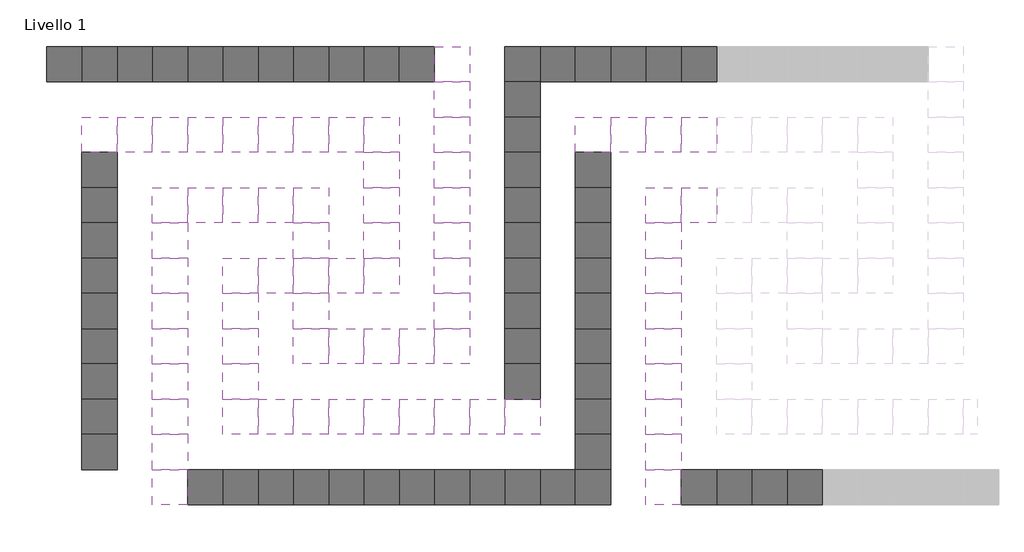
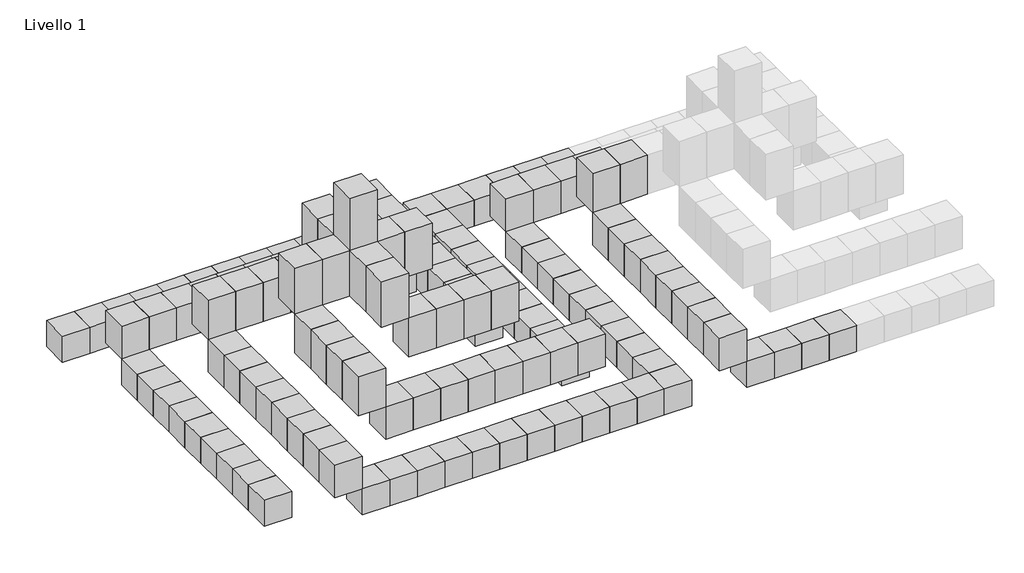
# One storey, part 1 of 3: 133 proxies.
"""IFC4 building model written with IfcOpenShell, lengths in millimetres."""

import ifcopenshell
import ifcopenshell.guid

model = None  # the IFC model being written
_history = None  # IfcOwnerHistory: only IFC2X3 demands one
_inside = {}  # id of a spatial element -> (the spatial element, [elements in it])
_under = {}  # id of a project, library or spatial element -> (it, [spatial elements below it])
_declared = {}  # id of a project -> (the project, [libraries it declares])
_typed = {}  # id of a type object -> (the type object, [elements of that type])
_made_of = {}  # id of a material, layer set ... -> (it, [elements and type objects made of it])


def new_model(schema):
    """Start an empty IFC model of exactly this schema.

    Asked for "IFC4X3", IfcOpenShell would pick the latest addendum, in which some entities
    have other attributes; the version numbers below select the first issue.
    IFC2X3 requires an IfcOwnerHistory on every rooted entity: one is made here for all.
    """
    global model, _history
    if schema == "IFC4X3":
        model = ifcopenshell.file(schema_version=(4, 3, 0, 0))
    else:
        model = ifcopenshell.file(schema=schema)
    _inside.clear()
    _under.clear()
    _declared.clear()
    _typed.clear()
    _made_of.clear()
    _history = None
    if model.schema == "IFC2X3":
        org = make("IfcOrganization", Name="unknown")
        user = make(
            "IfcPersonAndOrganization",
            ThePerson=make("IfcPerson", FamilyName="unknown"),
            TheOrganization=org,
        )
        app = make(
            "IfcApplication",
            ApplicationDeveloper=org,
            Version="unknown",
            ApplicationFullName="unknown",
            ApplicationIdentifier="unknown",
        )
        _history = make(
            "IfcOwnerHistory",
            OwningUser=user,
            OwningApplication=app,
            ChangeAction="ADDED",
            CreationDate=0,
        )
    return model


def make(cls, **values):
    """One entity of the class cls with the attributes given. An attribute that is None is left unset."""
    return model.create_entity(
        cls, **{name: value for name, value in values.items() if value is not None}
    )


def rooted(cls, **values):
    """An entity with a GlobalId (a new one), such as an element, a storey or a relation."""
    return make(cls, GlobalId=ifcopenshell.guid.new(), OwnerHistory=_history, **values)


def si_unit(unit_type, name, prefix=None):
    """IfcSIUnit, for example si_unit("LENGTHUNIT", "METRE", prefix="MILLI")."""
    return make("IfcSIUnit", UnitType=unit_type, Prefix=prefix, Name=name)


def assignment(units):
    """IfcUnitAssignment: the units of a project."""
    return None if units is None else make("IfcUnitAssignment", Units=units)


def point(xyz):
    """IfcCartesianPoint."""
    return None if xyz is None else make("IfcCartesianPoint", Coordinates=xyz)


def direction(xyz):
    """IfcDirection."""
    return None if xyz is None else make("IfcDirection", DirectionRatios=xyz)


def frame(location, z_axis=None, x_axis=None):
    """IfcAxis2Placement3D, a coordinate frame: its origin and axes. An axis left out is left unset."""
    return make(
        "IfcAxis2Placement3D",
        Location=point(location),
        Axis=direction(z_axis),
        RefDirection=direction(x_axis),
    )


def origin():
    """The frame at (0, 0, 0) with its axes left unset."""
    return frame((0.0, 0.0, 0.0))


def place(relative_to, where):
    """IfcLocalPlacement: puts the frame where relative to a parent placement (None: the world)."""
    return make(
        "IfcLocalPlacement", PlacementRelTo=relative_to, RelativePlacement=where
    )


def context(
    kind, dimensions, precision=None, world=None, true_north=None, identifier=None
):
    """IfcGeometricRepresentationContext, for example the 3D "Model" context."""
    return make(
        "IfcGeometricRepresentationContext",
        ContextIdentifier=identifier,
        ContextType=kind,
        CoordinateSpaceDimension=dimensions,
        Precision=precision,
        WorldCoordinateSystem=world,
        TrueNorth=true_north,
    )


def project(units=None, contexts=None):
    """IfcProject with its units and contexts."""
    return rooted(
        "IfcProject",
        Name="project",
        RepresentationContexts=contexts,
        UnitsInContext=assignment(units),
    )


def spatial(cls, under=None, at=None, **own):
    """A site, building, storey or space (cls), placed at a placement, below another one or the project."""
    s = rooted(cls, ObjectPlacement=at, **own)
    if under is not None:
        _under.setdefault(under.id(), (under, []))[1].append(s)
    return s


def polyline(points):
    """IfcPolyline through the points."""
    return make("IfcPolyline", Points=[point(p) for p in points])


def outline(outer, holes=None, kind="AREA"):
    """IfcArbitraryClosedProfileDef: a profile drawn as a closed curve; with holes, ...WithVoids."""
    if holes is None:
        return make("IfcArbitraryClosedProfileDef", ProfileType=kind, OuterCurve=outer)
    return make(
        "IfcArbitraryProfileDefWithVoids",
        ProfileType=kind,
        OuterCurve=outer,
        InnerCurves=holes,
    )


def extrude(swept, where, along, depth):
    """IfcExtrudedAreaSolid: the profile swept, set in the frame where, extruded along a direction by depth."""
    return make(
        "IfcExtrudedAreaSolid",
        SweptArea=swept,
        Position=where,
        ExtrudedDirection=direction(along),
        Depth=depth,
    )


def shape(context_of_items, identifier, shape_type, items):
    """IfcShapeRepresentation: the items that make up one representation, for example the "Body"."""
    return make(
        "IfcShapeRepresentation",
        ContextOfItems=context_of_items,
        RepresentationIdentifier=identifier,
        RepresentationType=shape_type,
        Items=items,
    )


def source(mapping_origin, context_of_items, identifier, shape_type, items):
    """IfcRepresentationMap: a shape defined once, which mapped items show again and again."""
    return make(
        "IfcRepresentationMap",
        MappingOrigin=mapping_origin,
        MappedRepresentation=shape(context_of_items, identifier, shape_type, items),
    )


def transform(
    local_origin,
    x_axis=None,
    y_axis=None,
    z_axis=None,
    scale=None,
    scale2=None,
    scale3=None,
    uniform=True,
):
    """IfcCartesianTransformationOperator3D, or its non-uniform kind. x_axis, y_axis, z_axis: its Axis1, 2, 3."""
    if uniform:
        return make(
            "IfcCartesianTransformationOperator3D",
            Axis1=direction(x_axis),
            Axis2=direction(y_axis),
            LocalOrigin=point(local_origin),
            Scale=scale,
            Axis3=direction(z_axis),
        )
    return make(
        "IfcCartesianTransformationOperator3DnonUniform",
        Axis1=direction(x_axis),
        Axis2=direction(y_axis),
        LocalOrigin=point(local_origin),
        Scale=scale,
        Axis3=direction(z_axis),
        Scale2=scale2,
        Scale3=scale3,
    )


def mapped(mapping_source, mapping_target):
    """IfcMappedItem: shows the shape of a source again, moved by a transform."""
    return make(
        "IfcMappedItem", MappingSource=mapping_source, MappingTarget=mapping_target
    )


def made_of(thing, what):
    """Note that an element or type object is made of a material, layer set ...; save() writes the relation."""
    if what is not None:
        _made_of.setdefault(what.id(), (what, []))[1].append(thing)
    return thing


def element(
    cls,
    number,
    at=None,
    inside=None,
    cuts=None,
    type_object=None,
    material=None,
    context=None,
    identifier="Body",
    shape_type=None,
    held_by="IfcProductDefinitionShape",
    body=None,
    shapes=None,
    **own,
):
    """One element of the class cls, such as IfcWall. Its Tag is "e" and its number.

    at: its placement. inside: the storey or other place that contains it. cuts: it is an
    opening in that element (IfcRelVoidsElement). A single representation is given by context,
    identifier, shape_type and body (its items); several are given by shapes. held_by: the class
    of the entity that holds the representations. save() writes the other relations.
    """
    e = rooted(cls, Tag="e%d" % number, ObjectPlacement=at, **own)
    if body is not None:
        shapes = [shape(context, identifier, shape_type, body)]
    if shapes is not None:
        e.Representation = make(held_by, Representations=shapes)
    if inside is not None:
        _inside.setdefault(inside.id(), (inside, []))[1].append(e)
    if cuts is not None:
        rooted(
            "IfcRelVoidsElement", RelatingBuildingElement=cuts, RelatedOpeningElement=e
        )
    if type_object is not None:
        _typed.setdefault(type_object.id(), (type_object, []))[1].append(e)
    return made_of(e, material)


def aggregate(whole, parts):
    """IfcRelAggregates: a whole, such as a stair, and the parts it consists of."""
    return rooted("IfcRelAggregates", RelatingObject=whole, RelatedObjects=parts)


def save(model, path):
    """Write the relations noted so far, then the file.

    IfcRelAggregates (storeys below a building ...), IfcRelContainedInSpatialStructure (elements
    in a storey), IfcRelDefinesByType, IfcRelAssociatesMaterial and IfcRelDeclares: one each for
    every whole, place, type object, material and project.
    """
    for whole, parts in _under.values():
        aggregate(whole, parts)
    for where, things in _inside.values():
        rooted(
            "IfcRelContainedInSpatialStructure",
            RelatedElements=things,
            RelatingStructure=where,
        )
    for kind, things in _typed.values():
        rooted("IfcRelDefinesByType", RelatedObjects=things, RelatingType=kind)
    for what, things in _made_of.values():
        rooted("IfcRelAssociatesMaterial", RelatedObjects=things, RelatingMaterial=what)
    for by, libraries in _declared.values():
        rooted("IfcRelDeclares", RelatingContext=by, RelatedDefinitions=libraries)
    model.write(path)


def generic_models_f45b8968(model_context):
    return source(origin(), model_context, "Body", "SweptSolid", [
        extrude(outline(polyline([(800.0, 800.0), (800.0, 0.0), (0.0, 0.0), (0.0, 800.0), (800.0, 800.0)])), frame((0.0, 0.0, 800.0), z_axis=(0.0, 0.0, 1.0), x_axis=(1.0, 0.0, 0.0)), (0.0, 0.0, 1.0), 800.0),
    ])


def generic_models_1216665a(model_context):
    return source(origin(), model_context, "Body", "SweptSolid", [
        extrude(outline(polyline([(800.0, 800.0), (800.0, 0.0), (0.0, 0.0), (0.0, 800.0), (800.0, 800.0)])), frame((0.0, 0.0, 1600.0), z_axis=(0.0, 0.0, 1.0), x_axis=(1.0, 0.0, 0.0)), (0.0, 0.0, 1.0), 1000.0),
    ])


def generic_models_eef6b472(model_context):
    return source(origin(), model_context, "Body", "SweptSolid", [
        extrude(outline(polyline([(800.0, 800.0), (800.0, 0.0), (0.0, 0.0), (0.0, 800.0), (800.0, 800.0)])), frame((0.0, 0.0, 2600.0), z_axis=(0.0, 0.0, 1.0), x_axis=(1.0, 0.0, 0.0)), (0.0, 0.0, 1.0), 1200.0),
    ])


def generic_models_c8eee31e(model_context):
    return source(origin(), model_context, "Body", "SweptSolid", [
        extrude(outline(polyline([(800.0, 800.0), (800.0, 0.0), (0.0, 0.0), (0.0, 800.0), (800.0, 800.0)])), frame((0.0, 0.0, 3800.0), z_axis=(0.0, 0.0, 1.0), x_axis=(1.0, 0.0, 0.0)), (0.0, 0.0, 1.0), 1400.0),
    ])


def generic_models_d8d00534(model_context):
    return source(origin(), model_context, "Body", "SweptSolid", [
        extrude(outline(polyline([(800.0, 800.0), (800.0, 0.0), (0.0, 0.0), (0.0, 800.0), (800.0, 800.0)])), frame((0.0, 0.0, 5200.0), z_axis=(0.0, 0.0, 1.0), x_axis=(1.0, 0.0, 0.0)), (0.0, 0.0, 1.0), 1600.0),
    ])


model = new_model("IFC4")

# Units and contexts
model_context = context("Model", 3, world=origin())
ifc_project = project(units=[si_unit("LENGTHUNIT", "METRE", prefix="MILLI")], contexts=[model_context])

# Site, building, storey
site = spatial("IfcSite", under=ifc_project)
building = spatial("IfcBuilding", under=site)
storey = spatial("IfcBuildingStorey", under=building, Name="Livello 1", Elevation=0.0)

# Proxies
placement = place(None, origin())
generic_models_shape = generic_models_f45b8968(model_context)
element("IfcBuildingElementProxy", 1, Name="Generic Models", at=placement, inside=storey, context=model_context, shape_type="MappedRepresentation", body=[
    mapped(generic_models_shape, transform((17624.6346232, 4766.3432064, 0.0), x_axis=(1.0, 0.0, 0.0), y_axis=(0.0, 1.0, 0.0), z_axis=(0.0, 0.0, 1.0))),
])
element("IfcBuildingElementProxy", 2, Name="Generic Models", at=placement, inside=storey, context=model_context, shape_type="MappedRepresentation", body=[
    mapped(generic_models_shape, transform((17624.6346232, 5566.3432064, 0.0), x_axis=(1.0, 0.0, 0.0), y_axis=(0.0, 1.0, 0.0), z_axis=(0.0, 0.0, 1.0))),
])
element("IfcBuildingElementProxy", 3, Name="Generic Models", at=placement, inside=storey, context=model_context, shape_type="MappedRepresentation", body=[
    mapped(generic_models_shape, transform((17624.6346232, 6366.3432064, 0.0), x_axis=(1.0, 0.0, 0.0), y_axis=(0.0, 1.0, 0.0), z_axis=(0.0, 0.0, 1.0))),
])
element("IfcBuildingElementProxy", 4, Name="Generic Models", at=placement, inside=storey, context=model_context, shape_type="MappedRepresentation", body=[
    mapped(generic_models_shape, transform((17624.6346232, 8766.3432064, 0.0), x_axis=(1.0, 0.0, 0.0), y_axis=(0.0, 1.0, 0.0), z_axis=(0.0, 0.0, 1.0))),
])
element("IfcBuildingElementProxy", 5, Name="Generic Models", at=placement, inside=storey, context=model_context, shape_type="MappedRepresentation", body=[
    mapped(generic_models_shape, transform((17624.6346232, 9566.3432064, 0.0), x_axis=(1.0, 0.0, 0.0), y_axis=(0.0, 1.0, 0.0), z_axis=(0.0, 0.0, 1.0))),
])
element("IfcBuildingElementProxy", 6, Name="Generic Models", at=placement, inside=storey, context=model_context, shape_type="MappedRepresentation", body=[
    mapped(generic_models_shape, transform((17624.6346232, 7966.3432064, 0.0), x_axis=(1.0, 0.0, 0.0), y_axis=(0.0, 1.0, 0.0), z_axis=(0.0, 0.0, 1.0))),
])
element("IfcBuildingElementProxy", 7, Name="Generic Models", at=placement, inside=storey, context=model_context, shape_type="MappedRepresentation", body=[
    mapped(generic_models_shape, transform((17624.6346232, 7166.3432064, 0.0), x_axis=(1.0, 0.0, 0.0), y_axis=(0.0, 1.0, 0.0), z_axis=(0.0, 0.0, 1.0))),
])
element("IfcBuildingElementProxy", 8, Name="Generic Models", at=placement, inside=storey, context=model_context, shape_type="MappedRepresentation", body=[
    mapped(generic_models_shape, transform((17624.6346232, 10366.3432064, 0.0), x_axis=(1.0, 0.0, 0.0), y_axis=(0.0, 1.0, 0.0), z_axis=(0.0, 0.0, 1.0))),
])
element("IfcBuildingElementProxy", 9, Name="Generic Models", at=placement, inside=storey, context=model_context, shape_type="MappedRepresentation", body=[
    mapped(generic_models_shape, transform((17624.6346232, 11166.3432064, 0.0), x_axis=(1.0, 0.0, 0.0), y_axis=(0.0, 1.0, 0.0), z_axis=(0.0, 0.0, 1.0))),
])
element("IfcBuildingElementProxy", 10, Name="Generic Models", at=placement, inside=storey, context=model_context, shape_type="MappedRepresentation", body=[
    mapped(generic_models_shape, transform((27224.6346232, 6366.3432064, 0.0), x_axis=(1.0, 0.0, 0.0), y_axis=(0.0, 1.0, 0.0), z_axis=(0.0, 0.0, 1.0))),
])
element("IfcBuildingElementProxy", 11, Name="Generic Models", at=placement, inside=storey, context=model_context, shape_type="MappedRepresentation", body=[
    mapped(generic_models_shape, transform((27224.6346232, 7166.3432064, 0.0), x_axis=(1.0, 0.0, 0.0), y_axis=(0.0, 1.0, 0.0), z_axis=(0.0, 0.0, 1.0))),
])
element("IfcBuildingElementProxy", 12, Name="Generic Models", at=placement, inside=storey, context=model_context, shape_type="MappedRepresentation", body=[
    mapped(generic_models_shape, transform((27224.6346232, 9566.3432064, 0.0), x_axis=(1.0, 0.0, 0.0), y_axis=(0.0, 1.0, 0.0), z_axis=(0.0, 0.0, 1.0))),
])
element("IfcBuildingElementProxy", 13, Name="Generic Models", at=placement, inside=storey, context=model_context, shape_type="MappedRepresentation", body=[
    mapped(generic_models_shape, transform((27224.6346232, 10366.3432064, 0.0), x_axis=(1.0, 0.0, 0.0), y_axis=(0.0, 1.0, 0.0), z_axis=(0.0, 0.0, 1.0))),
])
element("IfcBuildingElementProxy", 14, Name="Generic Models", at=placement, inside=storey, context=model_context, shape_type="MappedRepresentation", body=[
    mapped(generic_models_shape, transform((27224.6346232, 8766.3432064, 0.0), x_axis=(1.0, 0.0, 0.0), y_axis=(0.0, 1.0, 0.0), z_axis=(0.0, 0.0, 1.0))),
])
element("IfcBuildingElementProxy", 15, Name="Generic Models", at=placement, inside=storey, context=model_context, shape_type="MappedRepresentation", body=[
    mapped(generic_models_shape, transform((27224.6346232, 7966.3432064, 0.0), x_axis=(1.0, 0.0, 0.0), y_axis=(0.0, 1.0, 0.0), z_axis=(0.0, 0.0, 1.0))),
])
element("IfcBuildingElementProxy", 16, Name="Generic Models", at=placement, inside=storey, context=model_context, shape_type="MappedRepresentation", body=[
    mapped(generic_models_shape, transform((20024.6346232, 3966.3432064, 0.0), x_axis=(1.0, 0.0, 0.0), y_axis=(0.0, 1.0, 0.0), z_axis=(0.0, 0.0, 1.0))),
])
element("IfcBuildingElementProxy", 17, Name="Generic Models", at=placement, inside=storey, context=model_context, shape_type="MappedRepresentation", body=[
    mapped(generic_models_shape, transform((24024.6346232, 3966.3432064, 0.0), x_axis=(1.0, 0.0, 0.0), y_axis=(0.0, 1.0, 0.0), z_axis=(0.0, 0.0, 1.0))),
])
element("IfcBuildingElementProxy", 18, Name="Generic Models", at=placement, inside=storey, context=model_context, shape_type="MappedRepresentation", body=[
    mapped(generic_models_shape, transform((23224.6346232, 3966.3432064, 0.0), x_axis=(1.0, 0.0, 0.0), y_axis=(0.0, 1.0, 0.0), z_axis=(0.0, 0.0, 1.0))),
])
element("IfcBuildingElementProxy", 19, Name="Generic Models", at=placement, inside=storey, context=model_context, shape_type="MappedRepresentation", body=[
    mapped(generic_models_shape, transform((20824.6346232, 3966.3432064, 0.0), x_axis=(1.0, 0.0, 0.0), y_axis=(0.0, 1.0, 0.0), z_axis=(0.0, 0.0, 1.0))),
])
element("IfcBuildingElementProxy", 20, Name="Generic Models", at=placement, inside=storey, context=model_context, shape_type="MappedRepresentation", body=[
    mapped(generic_models_shape, transform((21624.6346232, 3966.3432064, 0.0), x_axis=(1.0, 0.0, 0.0), y_axis=(0.0, 1.0, 0.0), z_axis=(0.0, 0.0, 1.0))),
])
element("IfcBuildingElementProxy", 21, Name="Generic Models", at=placement, inside=storey, context=model_context, shape_type="MappedRepresentation", body=[
    mapped(generic_models_shape, transform((22424.6346232, 3966.3432064, 0.0), x_axis=(1.0, 0.0, 0.0), y_axis=(0.0, 1.0, 0.0), z_axis=(0.0, 0.0, 1.0))),
])
element("IfcBuildingElementProxy", 22, Name="Generic Models", at=placement, inside=storey, context=model_context, shape_type="MappedRepresentation", body=[
    mapped(generic_models_shape, transform((26424.6346232, 3966.3432064, 0.0), x_axis=(1.0, 0.0, 0.0), y_axis=(0.0, 1.0, 0.0), z_axis=(0.0, 0.0, 1.0))),
])
element("IfcBuildingElementProxy", 23, Name="Generic Models", at=placement, inside=storey, context=model_context, shape_type="MappedRepresentation", body=[
    mapped(generic_models_shape, transform((25624.6346232, 3966.3432064, 0.0), x_axis=(1.0, 0.0, 0.0), y_axis=(0.0, 1.0, 0.0), z_axis=(0.0, 0.0, 1.0))),
])
element("IfcBuildingElementProxy", 24, Name="Generic Models", at=placement, inside=storey, context=model_context, shape_type="MappedRepresentation", body=[
    mapped(generic_models_shape, transform((24824.6346232, 3966.3432064, 0.0), x_axis=(1.0, 0.0, 0.0), y_axis=(0.0, 1.0, 0.0), z_axis=(0.0, 0.0, 1.0))),
])
element("IfcBuildingElementProxy", 25, Name="Generic Models", at=placement, inside=storey, context=model_context, shape_type="MappedRepresentation", body=[
    mapped(generic_models_shape, transform((17624.6346232, 13566.3432064, 0.0), x_axis=(1.0, 0.0, 0.0), y_axis=(0.0, 1.0, 0.0), z_axis=(0.0, 0.0, 1.0))),
])
element("IfcBuildingElementProxy", 26, Name="Generic Models", at=placement, inside=storey, context=model_context, shape_type="MappedRepresentation", body=[
    mapped(generic_models_shape, transform((18424.6346232, 13566.3432064, 0.0), x_axis=(1.0, 0.0, 0.0), y_axis=(0.0, 1.0, 0.0), z_axis=(0.0, 0.0, 1.0))),
])
element("IfcBuildingElementProxy", 27, Name="Generic Models", at=placement, inside=storey, context=model_context, shape_type="MappedRepresentation", body=[
    mapped(generic_models_shape, transform((22424.6346232, 13566.3432064, 0.0), x_axis=(1.0, 0.0, 0.0), y_axis=(0.0, 1.0, 0.0), z_axis=(0.0, 0.0, 1.0))),
])
element("IfcBuildingElementProxy", 28, Name="Generic Models", at=placement, inside=storey, context=model_context, shape_type="MappedRepresentation", body=[
    mapped(generic_models_shape, transform((21624.6346232, 13566.3432064, 0.0), x_axis=(1.0, 0.0, 0.0), y_axis=(0.0, 1.0, 0.0), z_axis=(0.0, 0.0, 1.0))),
])
element("IfcBuildingElementProxy", 29, Name="Generic Models", at=placement, inside=storey, context=model_context, shape_type="MappedRepresentation", body=[
    mapped(generic_models_shape, transform((19224.6346232, 13566.3432064, 0.0), x_axis=(1.0, 0.0, 0.0), y_axis=(0.0, 1.0, 0.0), z_axis=(0.0, 0.0, 1.0))),
])
element("IfcBuildingElementProxy", 30, Name="Generic Models", at=placement, inside=storey, context=model_context, shape_type="MappedRepresentation", body=[
    mapped(generic_models_shape, transform((20024.6346232, 13566.3432064, 0.0), x_axis=(1.0, 0.0, 0.0), y_axis=(0.0, 1.0, 0.0), z_axis=(0.0, 0.0, 1.0))),
])
element("IfcBuildingElementProxy", 31, Name="Generic Models", at=placement, inside=storey, context=model_context, shape_type="MappedRepresentation", body=[
    mapped(generic_models_shape, transform((20824.6346232, 13566.3432064, 0.0), x_axis=(1.0, 0.0, 0.0), y_axis=(0.0, 1.0, 0.0), z_axis=(0.0, 0.0, 1.0))),
])
element("IfcBuildingElementProxy", 32, Name="Generic Models", at=placement, inside=storey, context=model_context, shape_type="MappedRepresentation", body=[
    mapped(generic_models_shape, transform((24824.6346232, 13566.3432064, 0.0), x_axis=(1.0, 0.0, 0.0), y_axis=(0.0, 1.0, 0.0), z_axis=(0.0, 0.0, 1.0))),
])
element("IfcBuildingElementProxy", 33, Name="Generic Models", at=placement, inside=storey, context=model_context, shape_type="MappedRepresentation", body=[
    mapped(generic_models_shape, transform((24024.6346232, 13566.3432064, 0.0), x_axis=(1.0, 0.0, 0.0), y_axis=(0.0, 1.0, 0.0), z_axis=(0.0, 0.0, 1.0))),
])
element("IfcBuildingElementProxy", 34, Name="Generic Models", at=placement, inside=storey, context=model_context, shape_type="MappedRepresentation", body=[
    mapped(generic_models_shape, transform((23224.6346232, 13566.3432064, 0.0), x_axis=(1.0, 0.0, 0.0), y_axis=(0.0, 1.0, 0.0), z_axis=(0.0, 0.0, 1.0))),
])
element("IfcBuildingElementProxy", 35, Name="Generic Models", at=placement, inside=storey, context=model_context, shape_type="MappedRepresentation", body=[
    mapped(generic_models_shape, transform((16824.6346232, 13566.3432064, 0.0), x_axis=(1.0, 0.0, 0.0), y_axis=(0.0, 1.0, 0.0), z_axis=(0.0, 0.0, 1.0))),
])
element("IfcBuildingElementProxy", 36, Name="Generic Models", at=placement, inside=storey, context=model_context, shape_type="MappedRepresentation", body=[
    mapped(generic_models_shape, transform((27224.6346232, 11166.3432064, 0.0), x_axis=(1.0, 0.0, 0.0), y_axis=(0.0, 1.0, 0.0), z_axis=(0.0, 0.0, 1.0))),
])
element("IfcBuildingElementProxy", 37, Name="Generic Models", at=placement, inside=storey, context=model_context, shape_type="MappedRepresentation", body=[
    mapped(generic_models_shape, transform((27224.6346232, 11966.3432064, 0.0), x_axis=(1.0, 0.0, 0.0), y_axis=(0.0, 1.0, 0.0), z_axis=(0.0, 0.0, 1.0))),
])
element("IfcBuildingElementProxy", 38, Name="Generic Models", at=placement, inside=storey, context=model_context, shape_type="MappedRepresentation", body=[
    mapped(generic_models_shape, transform((27224.6346232, 12766.3432064, 0.0), x_axis=(1.0, 0.0, 0.0), y_axis=(0.0, 1.0, 0.0), z_axis=(0.0, 0.0, 1.0))),
])
element("IfcBuildingElementProxy", 39, Name="Generic Models", at=placement, inside=storey, context=model_context, shape_type="MappedRepresentation", body=[
    mapped(generic_models_shape, transform((28824.6346232, 3966.3432064, 0.0), x_axis=(1.0, 0.0, 0.0), y_axis=(0.0, 1.0, 0.0), z_axis=(0.0, 0.0, 1.0))),
])
element("IfcBuildingElementProxy", 40, Name="Generic Models", at=placement, inside=storey, context=model_context, shape_type="MappedRepresentation", body=[
    mapped(generic_models_shape, transform((27224.6346232, 3966.3432064, 0.0), x_axis=(1.0, 0.0, 0.0), y_axis=(0.0, 1.0, 0.0), z_axis=(0.0, 0.0, 1.0))),
])
element("IfcBuildingElementProxy", 41, Name="Generic Models", at=placement, inside=storey, context=model_context, shape_type="MappedRepresentation", body=[
    mapped(generic_models_shape, transform((16824.6346232, 13566.3432064, 0.0), x_axis=(1.0, 0.0, 0.0), y_axis=(0.0, 1.0, 0.0), z_axis=(0.0, 0.0, 1.0))),
])
element("IfcBuildingElementProxy", 42, Name="Generic Models", at=placement, inside=storey, context=model_context, shape_type="MappedRepresentation", body=[
    mapped(generic_models_shape, transform((28824.6346232, 4766.3432064, 0.0), x_axis=(1.0, 0.0, 0.0), y_axis=(0.0, 1.0, 0.0), z_axis=(0.0, 0.0, 1.0))),
])
element("IfcBuildingElementProxy", 43, Name="Generic Models", at=placement, inside=storey, context=model_context, shape_type="MappedRepresentation", body=[
    mapped(generic_models_shape, transform((28824.6346232, 5566.3432064, 0.0), x_axis=(1.0, 0.0, 0.0), y_axis=(0.0, 1.0, 0.0), z_axis=(0.0, 0.0, 1.0))),
])
element("IfcBuildingElementProxy", 44, Name="Generic Models", at=placement, inside=storey, context=model_context, shape_type="MappedRepresentation", body=[
    mapped(generic_models_shape, transform((28824.6346232, 6366.3432064, 0.0), x_axis=(1.0, 0.0, 0.0), y_axis=(0.0, 1.0, 0.0), z_axis=(0.0, 0.0, 1.0))),
])
element("IfcBuildingElementProxy", 45, Name="Generic Models", at=placement, inside=storey, context=model_context, shape_type="MappedRepresentation", body=[
    mapped(generic_models_shape, transform((28824.6346232, 8766.3432064, 0.0), x_axis=(1.0, 0.0, 0.0), y_axis=(0.0, 1.0, 0.0), z_axis=(0.0, 0.0, 1.0))),
])
element("IfcBuildingElementProxy", 46, Name="Generic Models", at=placement, inside=storey, context=model_context, shape_type="MappedRepresentation", body=[
    mapped(generic_models_shape, transform((28824.6346232, 9566.3432064, 0.0), x_axis=(1.0, 0.0, 0.0), y_axis=(0.0, 1.0, 0.0), z_axis=(0.0, 0.0, 1.0))),
])
element("IfcBuildingElementProxy", 47, Name="Generic Models", at=placement, inside=storey, context=model_context, shape_type="MappedRepresentation", body=[
    mapped(generic_models_shape, transform((28824.6346232, 7966.3432064, 0.0), x_axis=(1.0, 0.0, 0.0), y_axis=(0.0, 1.0, 0.0), z_axis=(0.0, 0.0, 1.0))),
])
element("IfcBuildingElementProxy", 48, Name="Generic Models", at=placement, inside=storey, context=model_context, shape_type="MappedRepresentation", body=[
    mapped(generic_models_shape, transform((28824.6346232, 7166.3432064, 0.0), x_axis=(1.0, 0.0, 0.0), y_axis=(0.0, 1.0, 0.0), z_axis=(0.0, 0.0, 1.0))),
])
element("IfcBuildingElementProxy", 49, Name="Generic Models", at=placement, inside=storey, context=model_context, shape_type="MappedRepresentation", body=[
    mapped(generic_models_shape, transform((28824.6346232, 10366.3432064, 0.0), x_axis=(1.0, 0.0, 0.0), y_axis=(0.0, 1.0, 0.0), z_axis=(0.0, 0.0, 1.0))),
])
element("IfcBuildingElementProxy", 50, Name="Generic Models", at=placement, inside=storey, context=model_context, shape_type="MappedRepresentation", body=[
    mapped(generic_models_shape, transform((28824.6346232, 11166.3432064, 0.0), x_axis=(1.0, 0.0, 0.0), y_axis=(0.0, 1.0, 0.0), z_axis=(0.0, 0.0, 1.0))),
])
element("IfcBuildingElementProxy", 51, Name="Generic Models", at=placement, inside=storey, context=model_context, shape_type="MappedRepresentation", body=[
    mapped(generic_models_shape, transform((31224.6346232, 3966.3432064, 0.0), x_axis=(1.0, 0.0, 0.0), y_axis=(0.0, 1.0, 0.0), z_axis=(0.0, 0.0, 1.0))),
])
element("IfcBuildingElementProxy", 52, Name="Generic Models", at=placement, inside=storey, context=model_context, shape_type="MappedRepresentation", body=[
    mapped(generic_models_shape, transform((32024.6346232, 3966.3432064, 0.0), x_axis=(1.0, 0.0, 0.0), y_axis=(0.0, 1.0, 0.0), z_axis=(0.0, 0.0, 1.0))),
])
element("IfcBuildingElementProxy", 53, Name="Generic Models", at=placement, inside=storey, context=model_context, shape_type="MappedRepresentation", body=[
    mapped(generic_models_shape, transform((32824.6346232, 3966.3432064, 0.0), x_axis=(1.0, 0.0, 0.0), y_axis=(0.0, 1.0, 0.0), z_axis=(0.0, 0.0, 1.0))),
])
element("IfcBuildingElementProxy", 54, Name="Generic Models", at=placement, inside=storey, context=model_context, shape_type="MappedRepresentation", body=[
    mapped(generic_models_shape, transform((33624.6346232, 3966.3432064, 0.0), x_axis=(1.0, 0.0, 0.0), y_axis=(0.0, 1.0, 0.0), z_axis=(0.0, 0.0, 1.0))),
])
element("IfcBuildingElementProxy", 55, Name="Generic Models", at=placement, inside=storey, context=model_context, shape_type="MappedRepresentation", body=[
    mapped(generic_models_shape, transform((28824.6346232, 13566.3432064, 0.0), x_axis=(1.0, 0.0, 0.0), y_axis=(0.0, 1.0, 0.0), z_axis=(0.0, 0.0, 1.0))),
])
element("IfcBuildingElementProxy", 56, Name="Generic Models", at=placement, inside=storey, context=model_context, shape_type="MappedRepresentation", body=[
    mapped(generic_models_shape, transform((29624.6346232, 13566.3432064, 0.0), x_axis=(1.0, 0.0, 0.0), y_axis=(0.0, 1.0, 0.0), z_axis=(0.0, 0.0, 1.0))),
])
element("IfcBuildingElementProxy", 57, Name="Generic Models", at=placement, inside=storey, context=model_context, shape_type="MappedRepresentation", body=[
    mapped(generic_models_shape, transform((30424.6346232, 13566.3432064, 0.0), x_axis=(1.0, 0.0, 0.0), y_axis=(0.0, 1.0, 0.0), z_axis=(0.0, 0.0, 1.0))),
])
element("IfcBuildingElementProxy", 58, Name="Generic Models", at=placement, inside=storey, context=model_context, shape_type="MappedRepresentation", body=[
    mapped(generic_models_shape, transform((31224.6346232, 13566.3432064, 0.0), x_axis=(1.0, 0.0, 0.0), y_axis=(0.0, 1.0, 0.0), z_axis=(0.0, 0.0, 1.0))),
])
element("IfcBuildingElementProxy", 59, Name="Generic Models", at=placement, inside=storey, context=model_context, shape_type="MappedRepresentation", body=[
    mapped(generic_models_shape, transform((27224.6346232, 13566.3432064, 0.0), x_axis=(1.0, 0.0, 0.0), y_axis=(0.0, 1.0, 0.0), z_axis=(0.0, 0.0, 1.0))),
])
element("IfcBuildingElementProxy", 60, Name="Generic Models", at=placement, inside=storey, context=model_context, shape_type="MappedRepresentation", body=[
    mapped(generic_models_shape, transform((27224.6346232, 13566.3432064, 0.0), x_axis=(1.0, 0.0, 0.0), y_axis=(0.0, 1.0, 0.0), z_axis=(0.0, 0.0, 1.0))),
])
element("IfcBuildingElementProxy", 61, Name="Generic Models", at=placement, inside=storey, context=model_context, shape_type="MappedRepresentation", body=[
    mapped(generic_models_shape, transform((28024.6346232, 3966.3432064, 0.0), x_axis=(1.0, 0.0, 0.0), y_axis=(0.0, 1.0, 0.0), z_axis=(0.0, 0.0, 1.0))),
])
element("IfcBuildingElementProxy", 62, Name="Generic Models", at=placement, inside=storey, context=model_context, shape_type="MappedRepresentation", body=[
    mapped(generic_models_shape, transform((28024.6346232, 13566.3432064, 0.0), x_axis=(1.0, 0.0, 0.0), y_axis=(0.0, 1.0, 0.0), z_axis=(0.0, 0.0, 1.0))),
])
generic_models_2_shape = generic_models_1216665a(model_context)
element("IfcBuildingElementProxy", 63, Name="Generic Models", at=placement, inside=storey, context=model_context, shape_type="MappedRepresentation", body=[
    mapped(generic_models_2_shape, transform((17624.6346232, 11966.3432064, 0.0), x_axis=(1.0, 0.0, 0.0), y_axis=(0.0, 1.0, 0.0), z_axis=(0.0, 0.0, 1.0))),
])
element("IfcBuildingElementProxy", 64, Name="Generic Models", at=placement, inside=storey, context=model_context, shape_type="MappedRepresentation", body=[
    mapped(generic_models_2_shape, transform((25624.6346232, 7966.3432064, 0.0), x_axis=(1.0, 0.0, 0.0), y_axis=(0.0, 1.0, 0.0), z_axis=(0.0, 0.0, 1.0))),
])
element("IfcBuildingElementProxy", 65, Name="Generic Models", at=placement, inside=storey, context=model_context, shape_type="MappedRepresentation", body=[
    mapped(generic_models_2_shape, transform((25624.6346232, 10366.3432064, 0.0), x_axis=(1.0, 0.0, 0.0), y_axis=(0.0, 1.0, 0.0), z_axis=(0.0, 0.0, 1.0))),
])
element("IfcBuildingElementProxy", 66, Name="Generic Models", at=placement, inside=storey, context=model_context, shape_type="MappedRepresentation", body=[
    mapped(generic_models_2_shape, transform((25624.6346232, 11166.3432064, 0.0), x_axis=(1.0, 0.0, 0.0), y_axis=(0.0, 1.0, 0.0), z_axis=(0.0, 0.0, 1.0))),
])
element("IfcBuildingElementProxy", 67, Name="Generic Models", at=placement, inside=storey, context=model_context, shape_type="MappedRepresentation", body=[
    mapped(generic_models_2_shape, transform((25624.6346232, 9566.3432064, 0.0), x_axis=(1.0, 0.0, 0.0), y_axis=(0.0, 1.0, 0.0), z_axis=(0.0, 0.0, 1.0))),
])
element("IfcBuildingElementProxy", 68, Name="Generic Models", at=placement, inside=storey, context=model_context, shape_type="MappedRepresentation", body=[
    mapped(generic_models_2_shape, transform((25624.6346232, 8766.3432064, 0.0), x_axis=(1.0, 0.0, 0.0), y_axis=(0.0, 1.0, 0.0), z_axis=(0.0, 0.0, 1.0))),
])
element("IfcBuildingElementProxy", 69, Name="Generic Models", at=placement, inside=storey, context=model_context, shape_type="MappedRepresentation", body=[
    mapped(generic_models_2_shape, transform((19224.6346232, 6366.3432064, 0.0), x_axis=(1.0, 0.0, 0.0), y_axis=(0.0, 1.0, 0.0), z_axis=(0.0, 0.0, 1.0))),
])
element("IfcBuildingElementProxy", 70, Name="Generic Models", at=placement, inside=storey, context=model_context, shape_type="MappedRepresentation", body=[
    mapped(generic_models_2_shape, transform((19224.6346232, 8766.3432064, 0.0), x_axis=(1.0, 0.0, 0.0), y_axis=(0.0, 1.0, 0.0), z_axis=(0.0, 0.0, 1.0))),
])
element("IfcBuildingElementProxy", 71, Name="Generic Models", at=placement, inside=storey, context=model_context, shape_type="MappedRepresentation", body=[
    mapped(generic_models_2_shape, transform((19224.6346232, 9566.3432064, 0.0), x_axis=(1.0, 0.0, 0.0), y_axis=(0.0, 1.0, 0.0), z_axis=(0.0, 0.0, 1.0))),
])
element("IfcBuildingElementProxy", 72, Name="Generic Models", at=placement, inside=storey, context=model_context, shape_type="MappedRepresentation", body=[
    mapped(generic_models_2_shape, transform((19224.6346232, 7966.3432064, 0.0), x_axis=(1.0, 0.0, 0.0), y_axis=(0.0, 1.0, 0.0), z_axis=(0.0, 0.0, 1.0))),
])
element("IfcBuildingElementProxy", 73, Name="Generic Models", at=placement, inside=storey, context=model_context, shape_type="MappedRepresentation", body=[
    mapped(generic_models_2_shape, transform((19224.6346232, 7166.3432064, 0.0), x_axis=(1.0, 0.0, 0.0), y_axis=(0.0, 1.0, 0.0), z_axis=(0.0, 0.0, 1.0))),
])
element("IfcBuildingElementProxy", 74, Name="Generic Models", at=placement, inside=storey, context=model_context, shape_type="MappedRepresentation", body=[
    mapped(generic_models_2_shape, transform((23224.6346232, 11966.3432064, 0.0), x_axis=(1.0, 0.0, 0.0), y_axis=(0.0, 1.0, 0.0), z_axis=(0.0, 0.0, 1.0))),
])
element("IfcBuildingElementProxy", 75, Name="Generic Models", at=placement, inside=storey, context=model_context, shape_type="MappedRepresentation", body=[
    mapped(generic_models_2_shape, transform((20824.6346232, 11966.3432064, 0.0), x_axis=(1.0, 0.0, 0.0), y_axis=(0.0, 1.0, 0.0), z_axis=(0.0, 0.0, 1.0))),
])
element("IfcBuildingElementProxy", 76, Name="Generic Models", at=placement, inside=storey, context=model_context, shape_type="MappedRepresentation", body=[
    mapped(generic_models_2_shape, transform((21624.6346232, 11966.3432064, 0.0), x_axis=(1.0, 0.0, 0.0), y_axis=(0.0, 1.0, 0.0), z_axis=(0.0, 0.0, 1.0))),
])
element("IfcBuildingElementProxy", 77, Name="Generic Models", at=placement, inside=storey, context=model_context, shape_type="MappedRepresentation", body=[
    mapped(generic_models_2_shape, transform((22424.6346232, 11966.3432064, 0.0), x_axis=(1.0, 0.0, 0.0), y_axis=(0.0, 1.0, 0.0), z_axis=(0.0, 0.0, 1.0))),
])
element("IfcBuildingElementProxy", 78, Name="Generic Models", at=placement, inside=storey, context=model_context, shape_type="MappedRepresentation", body=[
    mapped(generic_models_2_shape, transform((24824.6346232, 5566.3432064, 0.0), x_axis=(1.0, 0.0, 0.0), y_axis=(0.0, 1.0, 0.0), z_axis=(0.0, 0.0, 1.0))),
])
element("IfcBuildingElementProxy", 79, Name="Generic Models", at=placement, inside=storey, context=model_context, shape_type="MappedRepresentation", body=[
    mapped(generic_models_2_shape, transform((24024.6346232, 5566.3432064, 0.0), x_axis=(1.0, 0.0, 0.0), y_axis=(0.0, 1.0, 0.0), z_axis=(0.0, 0.0, 1.0))),
])
element("IfcBuildingElementProxy", 80, Name="Generic Models", at=placement, inside=storey, context=model_context, shape_type="MappedRepresentation", body=[
    mapped(generic_models_2_shape, transform((21624.6346232, 5566.3432064, 0.0), x_axis=(1.0, 0.0, 0.0), y_axis=(0.0, 1.0, 0.0), z_axis=(0.0, 0.0, 1.0))),
])
element("IfcBuildingElementProxy", 81, Name="Generic Models", at=placement, inside=storey, context=model_context, shape_type="MappedRepresentation", body=[
    mapped(generic_models_2_shape, transform((22424.6346232, 5566.3432064, 0.0), x_axis=(1.0, 0.0, 0.0), y_axis=(0.0, 1.0, 0.0), z_axis=(0.0, 0.0, 1.0))),
])
element("IfcBuildingElementProxy", 82, Name="Generic Models", at=placement, inside=storey, context=model_context, shape_type="MappedRepresentation", body=[
    mapped(generic_models_2_shape, transform((23224.6346232, 5566.3432064, 0.0), x_axis=(1.0, 0.0, 0.0), y_axis=(0.0, 1.0, 0.0), z_axis=(0.0, 0.0, 1.0))),
])
element("IfcBuildingElementProxy", 83, Name="Generic Models", at=placement, inside=storey, context=model_context, shape_type="MappedRepresentation", body=[
    mapped(generic_models_2_shape, transform((27224.6346232, 5566.3432064, 0.0), x_axis=(1.0, 0.0, 0.0), y_axis=(0.0, 1.0, 0.0), z_axis=(0.0, 0.0, 1.0))),
])
element("IfcBuildingElementProxy", 84, Name="Generic Models", at=placement, inside=storey, context=model_context, shape_type="MappedRepresentation", body=[
    mapped(generic_models_2_shape, transform((26424.6346232, 5566.3432064, 0.0), x_axis=(1.0, 0.0, 0.0), y_axis=(0.0, 1.0, 0.0), z_axis=(0.0, 0.0, 1.0))),
])
element("IfcBuildingElementProxy", 85, Name="Generic Models", at=placement, inside=storey, context=model_context, shape_type="MappedRepresentation", body=[
    mapped(generic_models_2_shape, transform((25624.6346232, 5566.3432064, 0.0), x_axis=(1.0, 0.0, 0.0), y_axis=(0.0, 1.0, 0.0), z_axis=(0.0, 0.0, 1.0))),
])
element("IfcBuildingElementProxy", 86, Name="Generic Models", at=placement, inside=storey, context=model_context, shape_type="MappedRepresentation", body=[
    mapped(generic_models_2_shape, transform((19224.6346232, 5566.3432064, 0.0), x_axis=(1.0, 0.0, 0.0), y_axis=(0.0, 1.0, 0.0), z_axis=(0.0, 0.0, 1.0))),
])
element("IfcBuildingElementProxy", 87, Name="Generic Models", at=placement, inside=storey, context=model_context, shape_type="MappedRepresentation", body=[
    mapped(generic_models_2_shape, transform((19224.6346232, 4766.3432064, 0.0), x_axis=(1.0, 0.0, 0.0), y_axis=(0.0, 1.0, 0.0), z_axis=(0.0, 0.0, 1.0))),
])
element("IfcBuildingElementProxy", 88, Name="Generic Models", at=placement, inside=storey, context=model_context, shape_type="MappedRepresentation", body=[
    mapped(generic_models_2_shape, transform((19224.6346232, 3966.3432064, 0.0), x_axis=(1.0, 0.0, 0.0), y_axis=(0.0, 1.0, 0.0), z_axis=(0.0, 0.0, 1.0))),
])
element("IfcBuildingElementProxy", 89, Name="Generic Models", at=placement, inside=storey, context=model_context, shape_type="MappedRepresentation", body=[
    mapped(generic_models_2_shape, transform((25624.6346232, 12766.3432064, 0.0), x_axis=(1.0, 0.0, 0.0), y_axis=(0.0, 1.0, 0.0), z_axis=(0.0, 0.0, 1.0))),
])
element("IfcBuildingElementProxy", 90, Name="Generic Models", at=placement, inside=storey, context=model_context, shape_type="MappedRepresentation", body=[
    mapped(generic_models_2_shape, transform((25624.6346232, 13566.3432064, 0.0), x_axis=(1.0, 0.0, 0.0), y_axis=(0.0, 1.0, 0.0), z_axis=(0.0, 0.0, 1.0))),
])
element("IfcBuildingElementProxy", 91, Name="Generic Models", at=placement, inside=storey, context=model_context, shape_type="MappedRepresentation", body=[
    mapped(generic_models_2_shape, transform((25624.6346232, 11966.3432064, 0.0), x_axis=(1.0, 0.0, 0.0), y_axis=(0.0, 1.0, 0.0), z_axis=(0.0, 0.0, 1.0))),
])
element("IfcBuildingElementProxy", 92, Name="Generic Models", at=placement, inside=storey, context=model_context, shape_type="MappedRepresentation", body=[
    mapped(generic_models_2_shape, transform((20024.6346232, 11966.3432064, 0.0), x_axis=(1.0, 0.0, 0.0), y_axis=(0.0, 1.0, 0.0), z_axis=(0.0, 0.0, 1.0))),
])
element("IfcBuildingElementProxy", 93, Name="Generic Models", at=placement, inside=storey, context=model_context, shape_type="MappedRepresentation", body=[
    mapped(generic_models_2_shape, transform((18424.6346232, 11966.3432064, 0.0), x_axis=(1.0, 0.0, 0.0), y_axis=(0.0, 1.0, 0.0), z_axis=(0.0, 0.0, 1.0))),
])
element("IfcBuildingElementProxy", 94, Name="Generic Models", at=placement, inside=storey, context=model_context, shape_type="MappedRepresentation", body=[
    mapped(generic_models_2_shape, transform((19224.6346232, 11966.3432064, 0.0), x_axis=(1.0, 0.0, 0.0), y_axis=(0.0, 1.0, 0.0), z_axis=(0.0, 0.0, 1.0))),
])
element("IfcBuildingElementProxy", 95, Name="Generic Models", at=placement, inside=storey, context=model_context, shape_type="MappedRepresentation", body=[
    mapped(generic_models_2_shape, transform((28824.6346232, 11966.3432064, 0.0), x_axis=(1.0, 0.0, 0.0), y_axis=(0.0, 1.0, 0.0), z_axis=(0.0, 0.0, 1.0))),
])
element("IfcBuildingElementProxy", 96, Name="Generic Models", at=placement, inside=storey, context=model_context, shape_type="MappedRepresentation", body=[
    mapped(generic_models_2_shape, transform((30424.6346232, 6366.3432064, 0.0), x_axis=(1.0, 0.0, 0.0), y_axis=(0.0, 1.0, 0.0), z_axis=(0.0, 0.0, 1.0))),
])
element("IfcBuildingElementProxy", 97, Name="Generic Models", at=placement, inside=storey, context=model_context, shape_type="MappedRepresentation", body=[
    mapped(generic_models_2_shape, transform((30424.6346232, 8766.3432064, 0.0), x_axis=(1.0, 0.0, 0.0), y_axis=(0.0, 1.0, 0.0), z_axis=(0.0, 0.0, 1.0))),
])
element("IfcBuildingElementProxy", 98, Name="Generic Models", at=placement, inside=storey, context=model_context, shape_type="MappedRepresentation", body=[
    mapped(generic_models_2_shape, transform((30424.6346232, 9566.3432064, 0.0), x_axis=(1.0, 0.0, 0.0), y_axis=(0.0, 1.0, 0.0), z_axis=(0.0, 0.0, 1.0))),
])
element("IfcBuildingElementProxy", 99, Name="Generic Models", at=placement, inside=storey, context=model_context, shape_type="MappedRepresentation", body=[
    mapped(generic_models_2_shape, transform((30424.6346232, 7966.3432064, 0.0), x_axis=(1.0, 0.0, 0.0), y_axis=(0.0, 1.0, 0.0), z_axis=(0.0, 0.0, 1.0))),
])
element("IfcBuildingElementProxy", 100, Name="Generic Models", at=placement, inside=storey, context=model_context, shape_type="MappedRepresentation", body=[
    mapped(generic_models_2_shape, transform((30424.6346232, 7166.3432064, 0.0), x_axis=(1.0, 0.0, 0.0), y_axis=(0.0, 1.0, 0.0), z_axis=(0.0, 0.0, 1.0))),
])
element("IfcBuildingElementProxy", 101, Name="Generic Models", at=placement, inside=storey, context=model_context, shape_type="MappedRepresentation", body=[
    mapped(generic_models_2_shape, transform((30424.6346232, 5566.3432064, 0.0), x_axis=(1.0, 0.0, 0.0), y_axis=(0.0, 1.0, 0.0), z_axis=(0.0, 0.0, 1.0))),
])
element("IfcBuildingElementProxy", 102, Name="Generic Models", at=placement, inside=storey, context=model_context, shape_type="MappedRepresentation", body=[
    mapped(generic_models_2_shape, transform((30424.6346232, 4766.3432064, 0.0), x_axis=(1.0, 0.0, 0.0), y_axis=(0.0, 1.0, 0.0), z_axis=(0.0, 0.0, 1.0))),
])
element("IfcBuildingElementProxy", 103, Name="Generic Models", at=placement, inside=storey, context=model_context, shape_type="MappedRepresentation", body=[
    mapped(generic_models_2_shape, transform((30424.6346232, 3966.3432064, 0.0), x_axis=(1.0, 0.0, 0.0), y_axis=(0.0, 1.0, 0.0), z_axis=(0.0, 0.0, 1.0))),
])
element("IfcBuildingElementProxy", 104, Name="Generic Models", at=placement, inside=storey, context=model_context, shape_type="MappedRepresentation", body=[
    mapped(generic_models_2_shape, transform((31224.6346232, 11966.3432064, 0.0), x_axis=(1.0, 0.0, 0.0), y_axis=(0.0, 1.0, 0.0), z_axis=(0.0, 0.0, 1.0))),
])
element("IfcBuildingElementProxy", 105, Name="Generic Models", at=placement, inside=storey, context=model_context, shape_type="MappedRepresentation", body=[
    mapped(generic_models_2_shape, transform((29624.6346232, 11966.3432064, 0.0), x_axis=(1.0, 0.0, 0.0), y_axis=(0.0, 1.0, 0.0), z_axis=(0.0, 0.0, 1.0))),
])
element("IfcBuildingElementProxy", 106, Name="Generic Models", at=placement, inside=storey, context=model_context, shape_type="MappedRepresentation", body=[
    mapped(generic_models_2_shape, transform((30424.6346232, 11966.3432064, 0.0), x_axis=(1.0, 0.0, 0.0), y_axis=(0.0, 1.0, 0.0), z_axis=(0.0, 0.0, 1.0))),
])
generic_models_3_shape = generic_models_eef6b472(model_context)
element("IfcBuildingElementProxy", 107, Name="Generic Models", at=placement, inside=storey, context=model_context, shape_type="MappedRepresentation", body=[
    mapped(generic_models_3_shape, transform((23224.6346232, 7166.3432064, 0.0), x_axis=(1.0, 0.0, 0.0), y_axis=(0.0, 1.0, 0.0), z_axis=(0.0, 0.0, 1.0))),
])
element("IfcBuildingElementProxy", 108, Name="Generic Models", at=placement, inside=storey, context=model_context, shape_type="MappedRepresentation", body=[
    mapped(generic_models_3_shape, transform((24024.6346232, 7166.3432064, 0.0), x_axis=(1.0, 0.0, 0.0), y_axis=(0.0, 1.0, 0.0), z_axis=(0.0, 0.0, 1.0))),
])
element("IfcBuildingElementProxy", 109, Name="Generic Models", at=placement, inside=storey, context=model_context, shape_type="MappedRepresentation", body=[
    mapped(generic_models_3_shape, transform((24824.6346232, 7166.3432064, 0.0), x_axis=(1.0, 0.0, 0.0), y_axis=(0.0, 1.0, 0.0), z_axis=(0.0, 0.0, 1.0))),
])
element("IfcBuildingElementProxy", 110, Name="Generic Models", at=placement, inside=storey, context=model_context, shape_type="MappedRepresentation", body=[
    mapped(generic_models_3_shape, transform((20824.6346232, 7966.3432064, 0.0), x_axis=(1.0, 0.0, 0.0), y_axis=(0.0, 1.0, 0.0), z_axis=(0.0, 0.0, 1.0))),
])
element("IfcBuildingElementProxy", 111, Name="Generic Models", at=placement, inside=storey, context=model_context, shape_type="MappedRepresentation", body=[
    mapped(generic_models_3_shape, transform((20824.6346232, 7166.3432064, 0.0), x_axis=(1.0, 0.0, 0.0), y_axis=(0.0, 1.0, 0.0), z_axis=(0.0, 0.0, 1.0))),
])
element("IfcBuildingElementProxy", 112, Name="Generic Models", at=placement, inside=storey, context=model_context, shape_type="MappedRepresentation", body=[
    mapped(generic_models_3_shape, transform((20824.6346232, 6366.3432064, 0.0), x_axis=(1.0, 0.0, 0.0), y_axis=(0.0, 1.0, 0.0), z_axis=(0.0, 0.0, 1.0))),
])
element("IfcBuildingElementProxy", 113, Name="Generic Models", at=placement, inside=storey, context=model_context, shape_type="MappedRepresentation", body=[
    mapped(generic_models_3_shape, transform((20824.6346232, 5566.3432064, 0.0), x_axis=(1.0, 0.0, 0.0), y_axis=(0.0, 1.0, 0.0), z_axis=(0.0, 0.0, 1.0))),
])
element("IfcBuildingElementProxy", 114, Name="Generic Models", at=placement, inside=storey, context=model_context, shape_type="MappedRepresentation", body=[
    mapped(generic_models_3_shape, transform((19224.6346232, 10366.3432064, 0.0), x_axis=(1.0, 0.0, 0.0), y_axis=(0.0, 1.0, 0.0), z_axis=(0.0, 0.0, 1.0))),
])
element("IfcBuildingElementProxy", 115, Name="Generic Models", at=placement, inside=storey, context=model_context, shape_type="MappedRepresentation", body=[
    mapped(generic_models_3_shape, transform((20024.6346232, 10366.3432064, 0.0), x_axis=(1.0, 0.0, 0.0), y_axis=(0.0, 1.0, 0.0), z_axis=(0.0, 0.0, 1.0))),
])
element("IfcBuildingElementProxy", 116, Name="Generic Models", at=placement, inside=storey, context=model_context, shape_type="MappedRepresentation", body=[
    mapped(generic_models_3_shape, transform((20824.6346232, 10366.3432064, 0.0), x_axis=(1.0, 0.0, 0.0), y_axis=(0.0, 1.0, 0.0), z_axis=(0.0, 0.0, 1.0))),
])
element("IfcBuildingElementProxy", 117, Name="Generic Models", at=placement, inside=storey, context=model_context, shape_type="MappedRepresentation", body=[
    mapped(generic_models_3_shape, transform((24024.6346232, 11166.3432064, 0.0), x_axis=(1.0, 0.0, 0.0), y_axis=(0.0, 1.0, 0.0), z_axis=(0.0, 0.0, 1.0))),
])
element("IfcBuildingElementProxy", 118, Name="Generic Models", at=placement, inside=storey, context=model_context, shape_type="MappedRepresentation", body=[
    mapped(generic_models_3_shape, transform((24024.6346232, 11966.3432064, 0.0), x_axis=(1.0, 0.0, 0.0), y_axis=(0.0, 1.0, 0.0), z_axis=(0.0, 0.0, 1.0))),
])
element("IfcBuildingElementProxy", 119, Name="Generic Models", at=placement, inside=storey, context=model_context, shape_type="MappedRepresentation", body=[
    mapped(generic_models_3_shape, transform((24024.6346232, 10366.3432064, 0.0), x_axis=(1.0, 0.0, 0.0), y_axis=(0.0, 1.0, 0.0), z_axis=(0.0, 0.0, 1.0))),
])
element("IfcBuildingElementProxy", 120, Name="Generic Models", at=placement, inside=storey, context=model_context, shape_type="MappedRepresentation", body=[
    mapped(generic_models_3_shape, transform((24024.6346232, 9566.3432064, 0.0), x_axis=(1.0, 0.0, 0.0), y_axis=(0.0, 1.0, 0.0), z_axis=(0.0, 0.0, 1.0))),
])
element("IfcBuildingElementProxy", 121, Name="Generic Models", at=placement, inside=storey, context=model_context, shape_type="MappedRepresentation", body=[
    mapped(generic_models_3_shape, transform((25624.6346232, 7166.3432064, 0.0), x_axis=(1.0, 0.0, 0.0), y_axis=(0.0, 1.0, 0.0), z_axis=(0.0, 0.0, 1.0))),
])
element("IfcBuildingElementProxy", 122, Name="Generic Models", at=placement, inside=storey, context=model_context, shape_type="MappedRepresentation", body=[
    mapped(generic_models_3_shape, transform((21624.6346232, 10366.3432064, 0.0), x_axis=(1.0, 0.0, 0.0), y_axis=(0.0, 1.0, 0.0), z_axis=(0.0, 0.0, 1.0))),
])
element("IfcBuildingElementProxy", 123, Name="Generic Models", at=placement, inside=storey, context=model_context, shape_type="MappedRepresentation", body=[
    mapped(generic_models_3_shape, transform((30424.6346232, 10366.3432064, 0.0), x_axis=(1.0, 0.0, 0.0), y_axis=(0.0, 1.0, 0.0), z_axis=(0.0, 0.0, 1.0))),
])
element("IfcBuildingElementProxy", 124, Name="Generic Models", at=placement, inside=storey, context=model_context, shape_type="MappedRepresentation", body=[
    mapped(generic_models_3_shape, transform((31224.6346232, 10366.3432064, 0.0), x_axis=(1.0, 0.0, 0.0), y_axis=(0.0, 1.0, 0.0), z_axis=(0.0, 0.0, 1.0))),
])
generic_models_4_shape = generic_models_c8eee31e(model_context)
element("IfcBuildingElementProxy", 125, Name="Generic Models", at=placement, inside=storey, context=model_context, shape_type="MappedRepresentation", body=[
    mapped(generic_models_4_shape, transform((22424.6346232, 9566.3432064, 0.0), x_axis=(1.0, 0.0, 0.0), y_axis=(0.0, 1.0, 0.0), z_axis=(0.0, 0.0, 1.0))),
])
element("IfcBuildingElementProxy", 126, Name="Generic Models", at=placement, inside=storey, context=model_context, shape_type="MappedRepresentation", body=[
    mapped(generic_models_4_shape, transform((21624.6346232, 8766.3432064, 0.0), x_axis=(1.0, 0.0, 0.0), y_axis=(0.0, 1.0, 0.0), z_axis=(0.0, 0.0, 1.0))),
])
element("IfcBuildingElementProxy", 127, Name="Generic Models", at=placement, inside=storey, context=model_context, shape_type="MappedRepresentation", body=[
    mapped(generic_models_4_shape, transform((22424.6346232, 7966.3432064, 0.0), x_axis=(1.0, 0.0, 0.0), y_axis=(0.0, 1.0, 0.0), z_axis=(0.0, 0.0, 1.0))),
])
element("IfcBuildingElementProxy", 128, Name="Generic Models", at=placement, inside=storey, context=model_context, shape_type="MappedRepresentation", body=[
    mapped(generic_models_4_shape, transform((23224.6346232, 8766.3432064, 0.0), x_axis=(1.0, 0.0, 0.0), y_axis=(0.0, 1.0, 0.0), z_axis=(0.0, 0.0, 1.0))),
])
element("IfcBuildingElementProxy", 129, Name="Generic Models", at=placement, inside=storey, context=model_context, shape_type="MappedRepresentation", body=[
    mapped(generic_models_4_shape, transform((24024.6346232, 8766.3432064, 0.0), x_axis=(1.0, 0.0, 0.0), y_axis=(0.0, 1.0, 0.0), z_axis=(0.0, 0.0, 1.0))),
])
element("IfcBuildingElementProxy", 130, Name="Generic Models", at=placement, inside=storey, context=model_context, shape_type="MappedRepresentation", body=[
    mapped(generic_models_4_shape, transform((22424.6346232, 7166.3432064, 0.0), x_axis=(1.0, 0.0, 0.0), y_axis=(0.0, 1.0, 0.0), z_axis=(0.0, 0.0, 1.0))),
])
element("IfcBuildingElementProxy", 131, Name="Generic Models", at=placement, inside=storey, context=model_context, shape_type="MappedRepresentation", body=[
    mapped(generic_models_4_shape, transform((20824.6346232, 8766.3432064, 0.0), x_axis=(1.0, 0.0, 0.0), y_axis=(0.0, 1.0, 0.0), z_axis=(0.0, 0.0, 1.0))),
])
element("IfcBuildingElementProxy", 132, Name="Generic Models", at=placement, inside=storey, context=model_context, shape_type="MappedRepresentation", body=[
    mapped(generic_models_4_shape, transform((22424.6346232, 10366.3432064, 0.0), x_axis=(1.0, 0.0, 0.0), y_axis=(0.0, 1.0, 0.0), z_axis=(0.0, 0.0, 1.0))),
])
generic_models_5_shape = generic_models_d8d00534(model_context)
element("IfcBuildingElementProxy", 133, Name="Generic Models", at=placement, inside=storey, context=model_context, shape_type="MappedRepresentation", body=[
    mapped(generic_models_5_shape, transform((22424.6346232, 8766.3432064, 0.0), x_axis=(1.0, 0.0, 0.0), y_axis=(0.0, 1.0, 0.0), z_axis=(0.0, 0.0, 1.0))),
])

save(model, "model.ifc")
